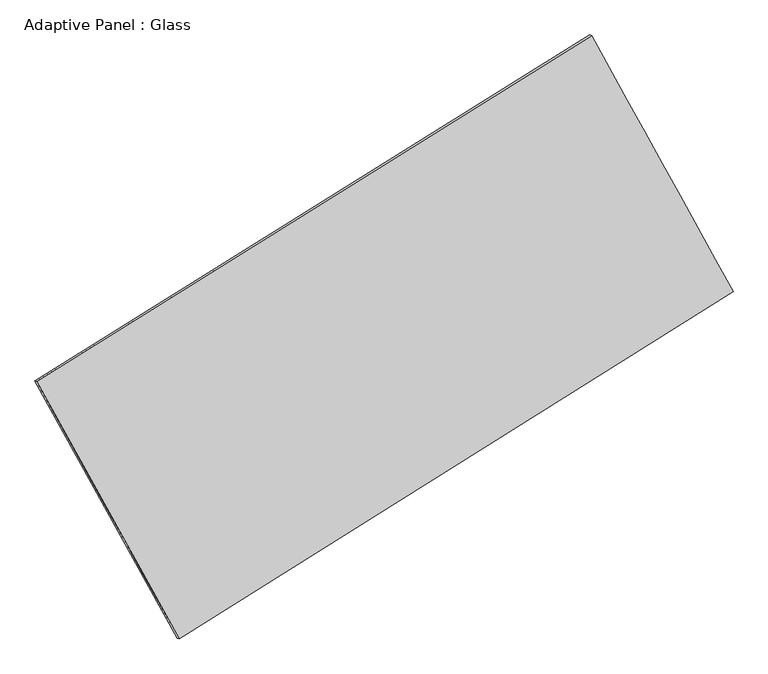
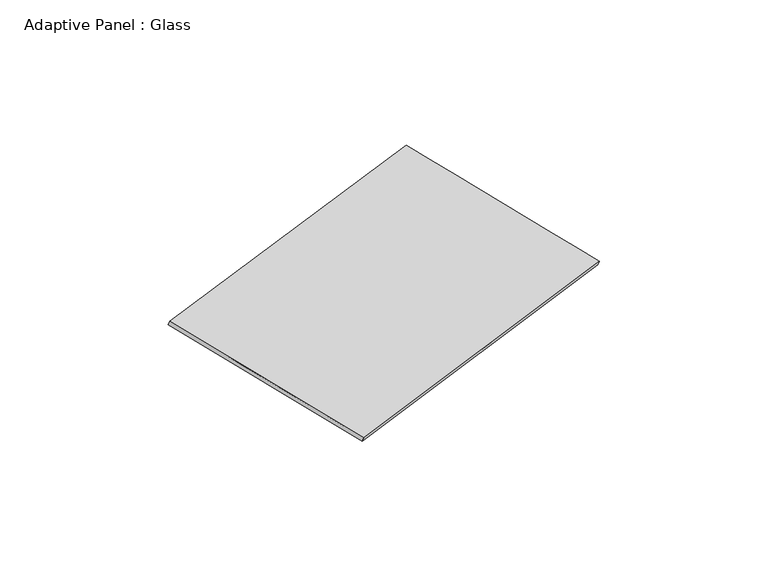
"""IFC4 building model written with IfcOpenShell, lengths in millimetres: plate geometry, Adaptive Panel : Glass."""

from ifc_helpers import new_model, si_unit, frame, origin, place, context, project, spatial, source, transform, mapped, element, save
from ifc_brep_helpers import plane_surface, spline_surface, advanced_brep


def adaptive_panel_glass_6870746a(model_context):
    return source(origin(), model_context, "Body", "AdvancedBrep", [
        advanced_brep(
        [(1173.4573025, 2562.904713, 665.9829644), (-3729.1747281, -494.3646575, 1770.3758934), (-3714.5083722, -500.7447509, 1817.7488014), (1188.1236584, 2556.5246196, 713.3558724), (-2470.7488727, -2770.4098032, 1075.9203775), (-2456.0825168, -2776.7898966, 1123.2932855), (2423.17572, 301.6211748, -27.156715), (2437.8420759, 295.2410813, 20.216193)],
        [
            (0, 1),
            (1, 2),
            (2, 3),
            (3, 0),
            (1, 4),
            (4, 5),
            (5, 2),
            (4, 6),
            (6, 7),
            (7, 5),
            (6, 0),
            (3, 7),
        ],
        [
            plane_surface(frame((-1277.8587128, 1034.2700278, 1218.1794289), z_axis=(-0.4684690322301503, 0.8447241249774413, 0.25880092450075026), x_axis=(-0.8334437786602957, -0.5197335065346657, 0.18774597198776038))),
            plane_surface(frame((-3099.9618004, -1632.3872303, 1423.1481354), z_axis=(-0.8340123920332395, -0.5185974878051021, 0.18836129001796342), x_axis=(0.467487398992175, -0.8455185663849439, -0.25798039786363663))),
            plane_surface(frame((-23.7865763, -1234.3943142, 524.3818312), z_axis=(0.47085973659839364, -0.8432283601943225, -0.25933962484449935), x_axis=(0.831936223673843, 0.5222258337623704, -0.1875161280810339))),
            plane_surface(frame((1798.3165113, 1432.2629439, 319.4131247), z_axis=(0.8339869953558279, 0.5186434313131082, -0.18834723978100587), x_axis=(-0.46718390088370876, 0.8453386375762617, 0.2591173297481099))),
            spline_surface(1, 1, [[(-3714.5083722, -500.7447509, 1817.7488014), (1188.1236584, 2556.5246196, 713.3558724)], [(-2456.0825168, -2776.7898966, 1123.2932855), (2437.8420759, 295.2410813, 20.216193)]], [2, 2], [2, 2], [0.0, 1.0], [0.0, 1.0]),
            spline_surface(1, 1, [[(2423.17572, 301.6211748, -27.156715), (1173.4573025, 2562.904713, 665.9829644)], [(-2470.7488727, -2770.4098032, 1075.9203775), (-3729.1747281, -494.3646575, 1770.3758934)]], [2, 2], [2, 2], [0.0, 1.0], [0.0, 1.0]),
        ],
        [
            (0, [[1, 2, 3, 4]]),
            (1, [[5, 6, 7, -2]]),
            (2, [[8, 9, 10, -6]]),
            (3, [[11, -4, 12, -9]]),
            (4, [[-3, -7, -10, -12]]),
            (5, [[-11, -8, -5, -1]]),
        ],
    ),
    ])


if __name__ == "__main__":
    model = new_model("IFC4")
    model_context = context("Model", 3, world=origin())
    ifc_project = project(units=[si_unit("LENGTHUNIT", "METRE", prefix="MILLI")], contexts=[model_context])
    site = spatial("IfcSite", under=ifc_project)
    building = spatial("IfcBuilding", under=site)
    placement = place(None, origin())
    adaptive_panel_glass_shape = adaptive_panel_glass_6870746a(model_context)
    element("IfcPlate", 1, ObjectType="Adaptive Panel : Glass", at=placement, inside=building, context=model_context, shape_type="MappedRepresentation", body=[
        mapped(adaptive_panel_glass_shape, transform((0.0, 0.0, 0.0), x_axis=(1.0, 0.0, 0.0), y_axis=(0.0, 1.0, 0.0), z_axis=(0.0, 0.0, 1.0))),
    ])
    save(model, "model.ifc")
